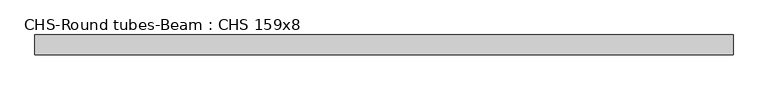
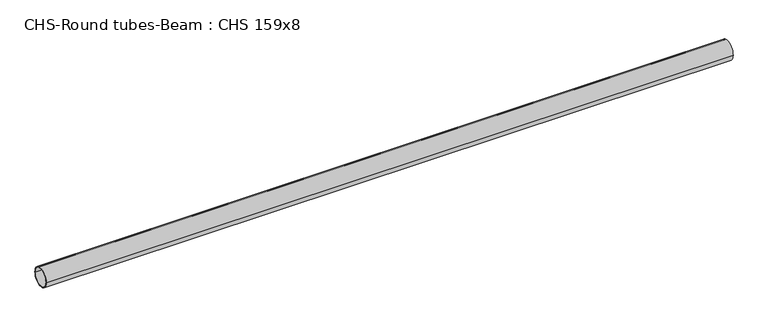
"""IFC4 building model written with IfcOpenShell, lengths in millimetres: beam geometry, CHS-Round tubes-Beam : CHS 159x8."""

from ifc_helpers import new_model, si_unit, point, frame, origin, origin_2d, place, context, project, spatial, circle_curve, trimmed, segment, composite_curve, outline, extrude, source, transform, mapped, element, save


def chs_round_tubes_beam_chs_159x8_7f34bf75(model_context):
    return source(origin(), model_context, "Body", "SweptSolid", [
        extrude(outline(composite_curve([segment(trimmed(circle_curve(origin_2d(), 79.5), [point((79.5, 0.0))], [point((-79.5, 0.0))], False, "CARTESIAN"), True, "CONTINUOUS"), segment(trimmed(circle_curve(origin_2d(), 79.5), [point((-79.5, 0.0))], [point((79.5, 0.0))], False, "CARTESIAN"), True, "CONTINUOUS")], self_intersect=False), holes=[composite_curve([segment(trimmed(circle_curve(origin_2d(), 71.5), [point((71.5, 0.0))], [point((-71.5, 0.0))], True, "CARTESIAN"), True, "CONTINUOUS"), segment(trimmed(circle_curve(origin_2d(), 71.5), [point((-71.5, 0.0))], [point((71.5, 0.0))], True, "CARTESIAN"), True, "CONTINUOUS")], self_intersect=False)]), frame((-2804.9081891, 0.0, 0.0), z_axis=(1.0, 0.0, 0.0), x_axis=(0.0, 1.0, 0.0)), (0.0, 0.0, 1.0), 5615.0065949),
    ])


if __name__ == "__main__":
    model = new_model("IFC4")
    model_context = context("Model", 3, world=origin())
    ifc_project = project(units=[si_unit("LENGTHUNIT", "METRE", prefix="MILLI")], contexts=[model_context])
    site = spatial("IfcSite", under=ifc_project)
    building = spatial("IfcBuilding", under=site)
    placement = place(None, origin())
    chs_round_tubes_beam_chs_159x8_shape = chs_round_tubes_beam_chs_159x8_7f34bf75(model_context)
    element("IfcBeam", 1, ObjectType="CHS-Round tubes-Beam : CHS 159x8", at=placement, inside=building, context=model_context, shape_type="MappedRepresentation", body=[
        mapped(chs_round_tubes_beam_chs_159x8_shape, transform((0.0, 0.0, 0.0), x_axis=(1.0, 0.0, 0.0), y_axis=(0.0, 1.0, 0.0), z_axis=(0.0, 0.0, 1.0))),
    ])
    save(model, "model.ifc")
